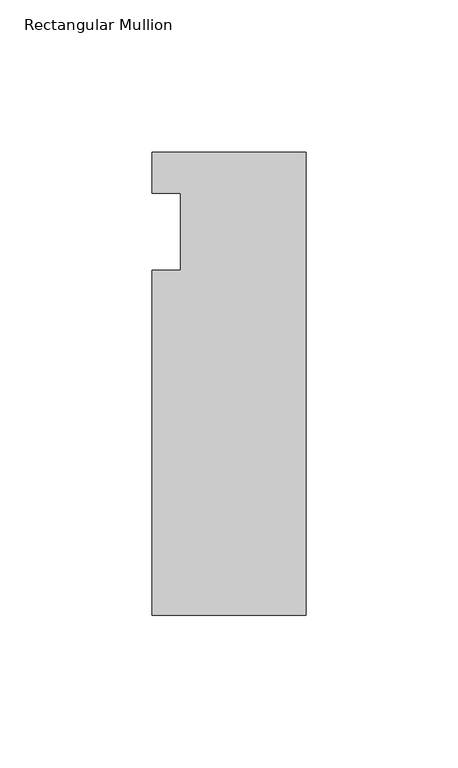
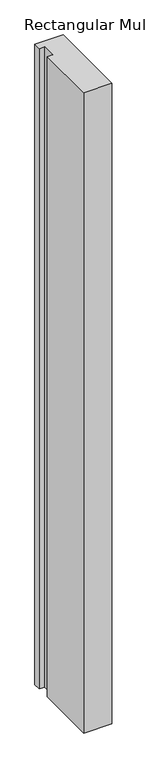
"""IFC4 building model written with IfcOpenShell, lengths in millimetres: member geometry, Rectangular Mullion."""

from ifc_helpers import new_model, si_unit, frame, origin, place, context, project, spatial, polyline, outline, extrude, source, transform, mapped, element, save


def rectangular_mullion_3c21038a(model_context):
    return source(origin(), model_context, "Body", "SweptSolid", [
        extrude(outline(polyline([(0.0, 26.19375), (0.0, -126.20625), (-50.8, -126.20625), (-50.8, -12.7), (-41.275, -12.7), (-41.275, 12.7), (-50.8, 12.7), (-50.8, 26.19375), (0.0, 26.19375)])), frame((0.0, 0.0, -1219.2), z_axis=(0.0, 0.0, 1.0), x_axis=(1.0, 0.0, 0.0)), (0.0, 0.0, 1.0), 1219.2),
    ])


if __name__ == "__main__":
    model = new_model("IFC4")
    model_context = context("Model", 3, world=origin())
    ifc_project = project(units=[si_unit("LENGTHUNIT", "METRE", prefix="MILLI")], contexts=[model_context])
    site = spatial("IfcSite", under=ifc_project)
    building = spatial("IfcBuilding", under=site)
    placement = place(None, origin())
    rectangular_mullion_shape = rectangular_mullion_3c21038a(model_context)
    element("IfcMember", 1, ObjectType="Rectangular Mullion", at=placement, inside=building, context=model_context, shape_type="MappedRepresentation", body=[
        mapped(rectangular_mullion_shape, transform((0.0, 0.0, 0.0), x_axis=(1.0, 0.0, 0.0), y_axis=(0.0, 1.0, 0.0), z_axis=(0.0, 0.0, 1.0))),
    ])
    save(model, "model.ifc")
